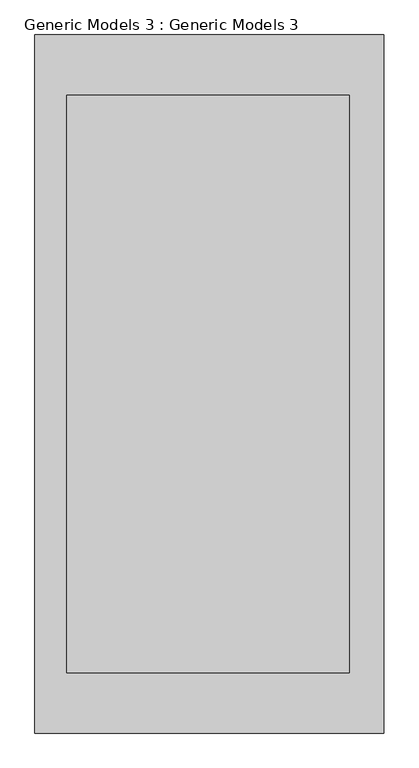
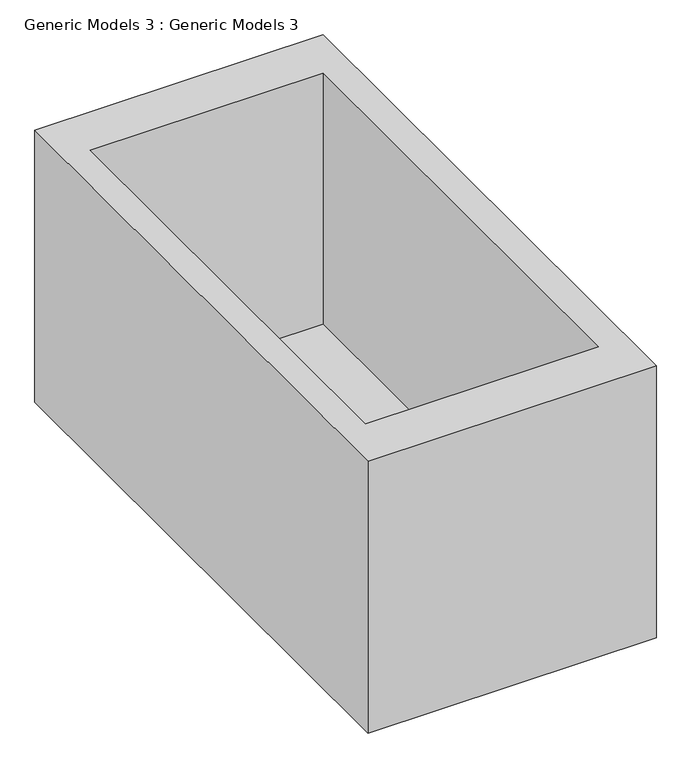
"""IFC4 building model written with IfcOpenShell, lengths in millimetres: proxy geometry, Generic Models 3 : Generic Models 3."""

from ifc_helpers import new_model, si_unit, origin, place, context, project, spatial, faceted_brep, source, transform, mapped, element, save


def generic_models_3_generic_models_3_fbc9fcf8(model_context):
    return source(origin(), model_context, "Body", "Brep", [
        faceted_brep([(134151.0324212, -33836.1693584, 1297.8416696), (134151.0324212, -34836.1693584, 1297.8416696), (134651.0324212, -34836.1693584, 1297.8416696), (134651.0324212, -33836.1693584, 1297.8416696), (134601.0324212, -33922.7718988, 1297.8416696), (134601.0324212, -34749.5668181, 1297.8416696), (134196.9283473, -34749.5668181, 1297.8416696), (134196.9283473, -33922.7718988, 1297.8416696), (134151.0324212, -33836.1693584, 800.0), (134651.0324212, -33836.1693584, 800.0), (134651.0324212, -34836.1693584, 800.0), (134151.0324212, -34836.1693584, 800.0), (134601.0324212, -33922.7718988, 838.0779794), (134196.9283473, -33922.7718988, 838.0779794), (134196.9283473, -34749.5668181, 838.0779794), (134601.0324212, -34749.5668181, 838.0779794)], [[[0, 1, 2, 3], [4, 5, 6, 7]], [[8, 9, 10, 11]], [[1, 0, 8, 11]], [[2, 1, 11, 10]], [[3, 2, 10, 9]], [[0, 3, 9, 8]], [[12, 13, 14, 15]], [[12, 15, 5, 4]], [[15, 14, 6, 5]], [[14, 13, 7, 6]], [[13, 12, 4, 7]]]),
    ])


if __name__ == "__main__":
    model = new_model("IFC4")
    model_context = context("Model", 3, world=origin())
    ifc_project = project(units=[si_unit("LENGTHUNIT", "METRE", prefix="MILLI")], contexts=[model_context])
    site = spatial("IfcSite", under=ifc_project)
    building = spatial("IfcBuilding", under=site)
    placement = place(None, origin())
    generic_models_3_generic_models_3_shape = generic_models_3_generic_models_3_fbc9fcf8(model_context)
    element("IfcBuildingElementProxy", 1, Name="Generic Models 3 : Generic Models 3", ObjectType="Generic Models 3 : Generic Models 3", at=placement, inside=building, context=model_context, shape_type="MappedRepresentation", body=[
        mapped(generic_models_3_generic_models_3_shape, transform((0.0, 0.0, 0.0), x_axis=(1.0, 0.0, 0.0), y_axis=(0.0, 1.0, 0.0), z_axis=(0.0, 0.0, 1.0))),
    ])
    save(model, "model.ifc")
